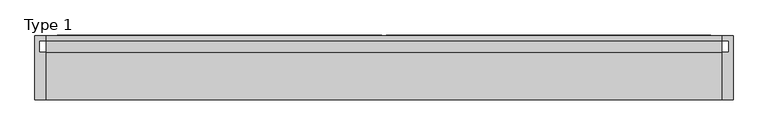
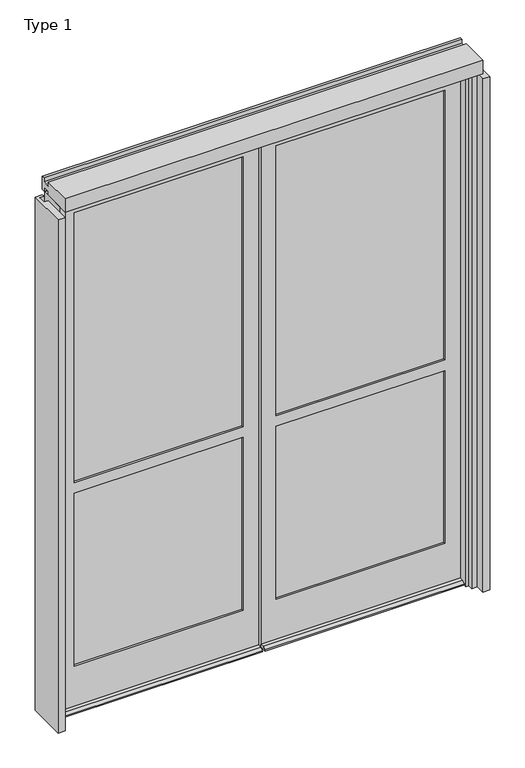
"""IFC4 building model written with IfcOpenShell, lengths in millimetres: plate geometry, Type 1."""

from ifc_helpers import new_model, si_unit, frame, origin, place, context, project, spatial, polyline, circle_curve, outline, extrude, faceted_brep, source, transform, mapped, element, save
from ifc_brep_helpers import plane_surface, cylinder_surface, advanced_brep


def type_1_135f9471(model_context):
    return source(origin(), model_context, "Body", "SolidModel", [
        extrude(outline(polyline([(-971.55, -130.5814), (-971.55, 47.2186), (-939.7989108, 47.2186), (-939.7989108, 34.036), (-958.85, 34.036), (-958.85, 2.286), (-939.8, 2.286), (-939.8, -130.5814), (-971.55, -130.5814)])), frame((0.0, 0.0, -57.15), z_axis=(0.0, 0.0, 1.0), x_axis=(1.0, 0.0, 0.0)), (0.0, 0.0, 1.0), 2438.4),
        extrude(outline(polyline([(971.55, -130.5814), (939.8, -130.5814), (939.8, 2.286), (958.85, 2.286), (958.85, 34.036), (939.7989108, 34.036), (939.7989108, 47.2186), (971.55, 47.2186), (971.55, -130.5814)])), frame((0.0, 0.0, -57.15), z_axis=(0.0, 0.0, 1.0), x_axis=(1.0, 0.0, 0.0)), (0.0, 0.0, 1.0), 2438.4),
        advanced_brep(
        [(-5.5889985, -18.3554688, 2377.28125), (-5.5889985, 26.0945312, 2377.28125), (-911.89707, 26.0945312, 2377.28125), (-909.4195008, -13.6829574, 2377.28125), (-909.4195008, -18.3554688, 2377.28125), (-5.5889985, 26.0945313, -57.15), (-5.5889985, -18.3554687, -57.15), (-5.5889985, -51.6930595, -57.15), (-909.4195008, -51.6930595, -57.15), (-909.4195008, -13.6829574, -57.15), (-911.89707, 26.0945313, -57.15), (-909.4195008, 26.0945313, -57.15), (-909.4195008, 49.9070312, -57.15), (-5.5889985, 49.9070312, -57.15), (-5.5889985, 26.0945313, -44.45), (-909.4195008, 26.0945313, -44.45), (-833.0882958, 26.0945312, 2297.90625), (-833.0882958, 26.0945313, 1016.0), (-74.6125, 26.0945313, 1016.0), (-74.6125, 26.0945312, 2297.90625), (-833.0882958, 26.0945313, 144.4625), (-74.6125, 26.0945313, 144.4625), (-74.6125, 26.0945313, 965.2), (-833.0882958, 26.0945313, 965.2), (-909.4195008, -18.3554687, 144.4625), (-909.4195008, -18.3554687, -44.45), (-5.5889985, -18.3554687, -44.45), (-909.4195008, -18.3554688, 2297.90625), (-909.12847, -18.3554688, 2297.90625), (-909.12847, -18.3554687, 144.4625), (-74.6125, -18.3554688, 2297.90625), (-74.6125, -18.3554687, 1016.0), (-833.0882958, -18.3554687, 1016.0), (-833.0882958, -18.3554688, 2297.90625), (-74.6125, -18.3554687, 144.4625), (-833.0882958, -18.3554687, 144.4625), (-833.0882958, -18.3554687, 965.2), (-74.6125, -18.3554687, 965.2), (-74.6125, -8.8304687, 144.4625), (-74.6125, -8.8304687, 965.2), (-74.6125, -8.8304688, 2297.90625), (-74.6125, -8.8304687, 1016.0), (-67.46875, -8.8304687, 137.31875), (-840.2320458, -8.8304687, 137.31875), (-840.2320458, -8.8304687, 972.34375), (-67.46875, -8.8304687, 972.34375), (-833.0882958, -8.8304687, 144.4625), (-833.0882958, -8.8304687, 965.2), (-840.2320458, -8.8304688, 2305.05), (-67.46875, -8.8304688, 2305.05), (-67.46875, -8.8304687, 1008.85625), (-840.2320458, -8.8304687, 1008.85625), (-833.0882958, -8.8304688, 2297.90625), (-833.0882958, -8.8304687, 1016.0), (-67.46875, 16.5695312, 2305.05), (-67.46875, 16.5695313, 1008.85625), (-67.46875, 16.5695313, 972.34375), (-67.46875, 16.5695313, 137.31875), (-840.2320458, 16.5695313, 137.31875), (-840.2320458, 16.5695313, 972.34375), (-74.6125, 16.5695313, 144.4625), (-833.0882958, 16.5695313, 144.4625), (-833.0882958, 16.5695313, 965.2), (-74.6125, 16.5695313, 965.2), (-840.2320458, 16.5695312, 2305.05), (-840.2320458, 16.5695313, 1008.85625), (-833.0882958, 16.5695312, 2297.90625), (-74.6125, 16.5695312, 2297.90625), (-74.6125, 16.5695313, 1016.0), (-833.0882958, 16.5695313, 1016.0), (-909.4195008, 33.2191859, -44.45), (-909.4195008, 49.9070312, -52.2316701), (-909.4195008, -51.6930595, -52.2316701), (-909.4195008, -35.0052141, -44.45), (-909.4195008, -13.6829574, 144.4625), (-5.5889985, -35.0052141, -44.45), (-5.5889985, -51.6930595, -52.2316701), (-5.5889985, 49.9070312, -52.2316701), (-5.5889985, 33.2191859, -44.45), (-909.4195008, -13.6829574, 2297.90625)],
        [
            (0, 1, circle_curve(frame((-65.3089556, 3.8695312, 2377.28125), z_axis=(0.0, 0.0, 1.0), x_axis=(0.0, -1.0, 0.0)), 63.7214556)),
            (1, 2),
            (2, 3),
            (3, 4),
            (4, 0),
            (5, 6, circle_curve(frame((-65.3089556, 3.8695313, -57.15), z_axis=(0.0, 0.0, -1.0), x_axis=(0.0, -1.0, 0.0)), 63.7214556)),
            (6, 7),
            (7, 8),
            (8, 9),
            (9, 10),
            (10, 11),
            (11, 12),
            (12, 13),
            (13, 5),
            (10, 2),
            (1, 14),
            (14, 15),
            (15, 11),
            (16, 17),
            (17, 18),
            (18, 19),
            (19, 16),
            (20, 21),
            (21, 22),
            (22, 23),
            (23, 20),
            (24, 25),
            (25, 26),
            (26, 0),
            (4, 27),
            (27, 28),
            (28, 29),
            (29, 24),
            (30, 31),
            (31, 32),
            (32, 33),
            (33, 30),
            (34, 35),
            (35, 36),
            (36, 37),
            (37, 34),
            (38, 34),
            (37, 39),
            (39, 38),
            (30, 40),
            (40, 41),
            (41, 31),
            (42, 43),
            (43, 44),
            (44, 45),
            (45, 42),
            (46, 38),
            (39, 47),
            (47, 46),
            (48, 49),
            (49, 50),
            (50, 51),
            (51, 48),
            (40, 52),
            (52, 53),
            (53, 41),
            (49, 54),
            (54, 55),
            (55, 50),
            (56, 57),
            (57, 42),
            (45, 56),
            (58, 57),
            (56, 59),
            (59, 58),
            (60, 61),
            (61, 62),
            (62, 63),
            (63, 60),
            (54, 64),
            (64, 65),
            (65, 55),
            (66, 67),
            (67, 68),
            (68, 69),
            (69, 66),
            (21, 60),
            (63, 22),
            (67, 19),
            (18, 68),
            (26, 6),
            (5, 14),
            (15, 70),
            (70, 71),
            (71, 12),
            (8, 72),
            (72, 73),
            (73, 25),
            (24, 74),
            (74, 9),
            (26, 75),
            (75, 76),
            (76, 7),
            (13, 77),
            (77, 78),
            (78, 14),
            (20, 61),
            (58, 43),
            (46, 35),
            (29, 74),
            (73, 75),
            (72, 76),
            (71, 77),
            (70, 78),
            (47, 36),
            (52, 33),
            (32, 53),
            (59, 44),
            (64, 48),
            (51, 65),
            (23, 62),
            (16, 66),
            (69, 17),
            (28, 79),
            (79, 3),
            (79, 27),
        ],
        [
            plane_surface(frame((0.0, 3.8695312, 2377.28125), z_axis=(0.0, 0.0, 1.0), x_axis=(0.0, -1.0, 0.0))),
            plane_surface(frame((0.0, 3.8695313, -57.15), z_axis=(0.0, 0.0, -1.0), x_axis=(0.0, -1.0, 0.0))),
            plane_surface(frame((-5.5889985, 26.0945312, 2377.28125), z_axis=(0.0, 1.0, 0.0), x_axis=(0.0, 0.0, -1.0))),
            plane_surface(frame((-74.6125, -18.3554688, 2377.28125), z_axis=(0.0, -1.0, 0.0), x_axis=(0.0, 0.0, -1.0))),
            plane_surface(frame((-74.6125, -8.8304688, 2377.28125), z_axis=(-1.0, 0.0, 0.0), x_axis=(0.0, 0.0, -1.0))),
            plane_surface(frame((-67.46875, -8.8304688, 2377.28125), z_axis=(0.0, 1.0, 0.0), x_axis=(0.0, 0.0, -1.0))),
            plane_surface(frame((-67.46875, 16.5695312, 2377.28125), z_axis=(-1.0, 0.0, 0.0), x_axis=(0.0, 0.0, -1.0))),
            plane_surface(frame((-74.6125, 16.5695312, 2377.28125), z_axis=(0.0, -1.0, 0.0), x_axis=(0.0, 0.0, -1.0))),
            plane_surface(frame((-74.6125, 26.0945312, 2377.28125), z_axis=(-1.0, 0.0, 0.0), x_axis=(0.0, 0.0, -1.0))),
            cylinder_surface(frame((-65.3089556, 3.8695312, 2377.28125), z_axis=(0.0, 0.0, 1.0), x_axis=(0.0, -1.0, 0.0)), 63.7214556),
            plane_surface(frame((-909.4195008, 3.8695313, -57.15), z_axis=(-1.0, 0.0, 0.0), x_axis=(0.0, -1.0, 0.0))),
            plane_surface(frame((-5.5889985, 3.8695313, -57.15), z_axis=(1.0, 0.0, 0.0), x_axis=(0.0, -1.0, 0.0))),
            plane_surface(frame((-909.4195008, 16.5695312, 144.4625), z_axis=(0.0, 0.0, 1.0), x_axis=(1.0, 0.0, 0.0))),
            plane_surface(frame((-909.4195008, -8.8304688, 137.31875), z_axis=(0.0, 0.0, 1.0), x_axis=(1.0, 0.0, 0.0))),
            plane_surface(frame((-909.4195008, -18.3554687, 144.4625), z_axis=(0.0, 0.0, 1.0), x_axis=(1.0, 0.0, 0.0))),
            plane_surface(frame((-909.4195008, -35.0052141, -44.45), z_axis=(0.0, 0.0, 1.0), x_axis=(1.0, 0.0, 0.0))),
            plane_surface(frame((-909.4195008, -51.6930595, -52.2316701), z_axis=(0.0, -0.42261826174137795, 0.9063077870363336), x_axis=(1.0, 0.0, 0.0))),
            plane_surface(frame((-909.4195008, -51.6930595, -57.15), z_axis=(0.0, -1.0, 0.0), x_axis=(1.0, 0.0, 0.0))),
            plane_surface(frame((-909.4195008, 49.9070312, -52.2316701), z_axis=(0.0, 1.0, 0.0), x_axis=(1.0, 0.0, 0.0))),
            plane_surface(frame((-909.4195008, 33.2191859, -44.45), z_axis=(0.0, 0.42261826174125344, 0.9063077870363916), x_axis=(1.0, 0.0, 0.0))),
            plane_surface(frame((-909.4195008, 26.0945312, -44.45), z_axis=(0.0, 0.0, 1.0), x_axis=(1.0, 0.0, 0.0))),
            plane_surface(frame((-833.0882958, -18.3554688, 2377.28125), z_axis=(1.0, 0.0, 0.0), x_axis=(0.0, 0.0, -1.0))),
            plane_surface(frame((-840.2320458, -8.8304688, 2377.28125), z_axis=(1.0, 0.0, 0.0), x_axis=(0.0, 0.0, -1.0))),
            plane_surface(frame((-833.0882958, 16.5695312, 2377.28125), z_axis=(1.0, 0.0, 0.0), x_axis=(0.0, 0.0, -1.0))),
            plane_surface(frame((-911.89707, 26.0945312, 2377.28125), z_axis=(-0.9980658706879181, -0.06216524566000013, 0.0), x_axis=(0.0, 0.0, -1.0))),
            plane_surface(frame((-909.4195008, 3.8695312, 2438.4), z_axis=(-1.0, 0.0, 0.0), x_axis=(0.0, -1.0, 0.0))),
            plane_surface(frame((-5.5889985, 16.5695312, 2297.90625), z_axis=(0.0, 0.0, -1.0), x_axis=(-1.0, 0.0, 0.0))),
            plane_surface(frame((-5.5889985, -8.8304688, 2305.05), z_axis=(0.0, 0.0, -1.0), x_axis=(-1.0, 0.0, 0.0))),
            plane_surface(frame((-5.5889985, -18.3554688, 2297.90625), z_axis=(0.0, 0.0, -1.0), x_axis=(-1.0, 0.0, 0.0))),
            plane_surface(frame((-909.12847, -18.3554688, 1016.0), z_axis=(0.0, 0.0, 1.0), x_axis=(1.0, 0.0, 0.0))),
            plane_surface(frame((-909.12847, -8.8304688, 1008.85625), z_axis=(0.0, 0.0, 1.0), x_axis=(1.0, 0.0, 0.0))),
            plane_surface(frame((-909.12847, 16.5695312, 1016.0), z_axis=(0.0, 0.0, 1.0), x_axis=(1.0, 0.0, 0.0))),
            plane_surface(frame((-909.12847, 26.0945312, 965.2), z_axis=(0.0, 0.0, -1.0), x_axis=(1.0, 0.0, 0.0))),
            plane_surface(frame((-909.12847, 16.5695312, 972.34375), z_axis=(0.0, 0.0, -1.0), x_axis=(1.0, 0.0, 0.0))),
            plane_surface(frame((-909.12847, -8.8304688, 965.2), z_axis=(0.0, 0.0, -1.0), x_axis=(1.0, 0.0, 0.0))),
        ],
        [
            (0, [[1, 2, 3, 4, 5]]),
            (1, [[6, 7, 8, 9, 10, 11, 12, 13, 14]]),
            (2, [[15, -2, 16, 17, 18, -11], [19, 20, 21, 22], [23, 24, 25, 26]]),
            (3, [[27, 28, 29, -5, 30, 31, 32, 33], [34, 35, 36, 37], [38, 39, 40, 41]]),
            (4, [[42, -41, 43, 44]]),
            (4, [[45, 46, 47, -34]]),
            (5, [[48, 49, 50, 51], [52, -44, 53, 54]]),
            (5, [[55, 56, 57, 58], [59, 60, 61, -46]]),
            (6, [[-56, 62, 63, 64]]),
            (6, [[65, 66, -51, 67]]),
            (7, [[68, -65, 69, 70], [71, 72, 73, 74]]),
            (7, [[75, 76, 77, -63], [78, 79, 80, 81]]),
            (8, [[82, -74, 83, -24]]),
            (8, [[84, -21, 85, -79]]),
            (9, [[-16, -1, -29, 86, -6, 87]]),
            (10, [[88, 89, 90, -12, -18]]),
            (10, [[91, 92, 93, -27, 94, 95, -9]]),
            (11, [[96, 97, 98, -7, -86]]),
            (11, [[99, 100, 101, -87, -14]]),
            (12, [[-82, -23, 102, -71]]),
            (13, [[-66, -68, 103, -48]]),
            (14, [[-42, -52, 104, -38]]),
            (14, [[-94, -33, 105]]),
            (15, [[-93, 106, -96, -28]]),
            (16, [[-92, 107, -97, -106]]),
            (17, [[-91, -8, -98, -107]]),
            (18, [[-90, 108, -99, -13]]),
            (19, [[-89, 109, -100, -108]]),
            (20, [[-88, -17, -101, -109]]),
            (21, [[-104, -54, 110, -39]]),
            (21, [[111, -36, 112, -60]]),
            (22, [[-49, -103, -70, 113]]),
            (22, [[-76, 114, -58, 115]]),
            (23, [[-102, -26, 116, -72]]),
            (23, [[117, -81, 118, -19]]),
            (24, [[-15, -10, -95, -105, -32, 119, 120, -3]]),
            (25, [[-30, -4, -120, 121]]),
            (26, [[-22, -84, -78, -117]]),
            (27, [[-62, -55, -114, -75]]),
            (28, [[-59, -45, -37, -111]]),
            (28, [[-31, -121, -119]]),
            (29, [[-61, -112, -35, -47]]),
            (30, [[-57, -64, -77, -115]]),
            (31, [[-20, -118, -80, -85]]),
            (32, [[-25, -83, -73, -116]]),
            (33, [[-50, -113, -69, -67]]),
            (34, [[-53, -43, -40, -110]]),
        ],
    ),
        advanced_brep(
        [(909.4195008, -18.3554688, 2377.28125), (912.1881008, 26.0945312, 2377.28125), (5.5889985, 26.0945312, 2377.28125), (5.5889985, -18.3554688, 2377.28125), (912.1881008, 26.0945313, -57.15), (909.4195008, 26.0945313, -57.15), (909.4195008, 26.0945313, -44.45), (5.5889985, 26.0945313, -44.45), (833.0882958, 26.0945313, 1016.0), (833.0882958, 26.0945312, 2297.90625), (74.6125, 26.0945312, 2297.90625), (74.6125, 26.0945313, 1016.0), (833.0882958, 26.0945313, 144.4625), (833.0882958, 26.0945313, 965.2), (74.6125, 26.0945313, 965.2), (74.6125, 26.0945313, 144.4625), (833.0882958, 16.5695312, 2297.90625), (74.6125, 16.5695312, 2297.90625), (840.2320458, 16.5695313, 1008.85625), (840.2320458, 16.5695312, 2305.05), (67.46875, 16.5695312, 2305.05), (67.46875, 16.5695313, 1008.85625), (833.0882958, 16.5695313, 1016.0), (74.6125, 16.5695313, 1016.0), (840.2320458, 16.5695313, 137.31875), (840.2320458, 16.5695313, 972.34375), (67.46875, 16.5695313, 972.34375), (67.46875, 16.5695313, 137.31875), (833.0882958, 16.5695313, 965.2), (833.0882958, 16.5695313, 144.4625), (74.6125, 16.5695313, 144.4625), (74.6125, 16.5695313, 965.2), (840.2320458, -8.8304688, 2305.05), (67.46875, -8.8304688, 2305.05), (840.2320458, -8.8304687, 1008.85625), (67.46875, -8.8304687, 1008.85625), (833.0882958, -8.8304687, 1016.0), (833.0882958, -8.8304688, 2297.90625), (74.6125, -8.8304688, 2297.90625), (74.6125, -8.8304687, 1016.0), (840.2320458, -8.8304687, 972.34375), (840.2320458, -8.8304687, 137.31875), (67.46875, -8.8304687, 137.31875), (67.46875, -8.8304687, 972.34375), (833.0882958, -8.8304687, 144.4625), (833.0882958, -8.8304687, 965.2), (74.6125, -8.8304687, 965.2), (74.6125, -8.8304687, 144.4625), (833.0882958, -18.3554688, 2297.90625), (74.6125, -18.3554688, 2297.90625), (909.4195008, -18.3554687, -44.45), (5.5889985, -18.3554687, -44.45), (833.0882958, -18.3554687, 1016.0), (74.6125, -18.3554687, 1016.0), (833.0882958, -18.3554687, 965.2), (833.0882958, -18.3554687, 144.4625), (74.6125, -18.3554687, 144.4625), (74.6125, -18.3554687, 965.2), (909.4195008, -35.0052141, -44.45), (909.4195008, -51.6930595, -52.2316701), (909.4195008, -51.6930595, -57.15), (909.4195008, -18.3554687, -57.15), (909.4195008, 49.9070313, -57.15), (909.4195008, 49.9070313, -52.2316701), (909.4195008, 33.2191859, -44.45), (5.5889985, 33.2191859, -44.45), (5.5889985, 49.9070313, -52.2316701), (5.5889985, 49.9070313, -57.15), (5.5889985, 26.0945313, -57.15), (5.5889985, -51.6930595, -57.15), (5.5889985, -51.6930595, -52.2316701), (5.5889985, -35.0052141, -44.45), (5.5889985, -18.3554687, -57.15)],
        [
            (0, 1),
            (1, 2),
            (2, 3, circle_curve(frame((65.3089556, 3.8695312, 2377.28125), z_axis=(0.0, 0.0, 1.0), x_axis=(0.0, -1.0, 0.0)), 63.7214556)),
            (3, 0),
            (1, 4),
            (4, 5),
            (5, 6),
            (6, 7),
            (7, 2),
            (8, 9),
            (9, 10),
            (10, 11),
            (11, 8),
            (12, 13),
            (13, 14),
            (14, 15),
            (15, 12),
            (9, 16),
            (16, 17),
            (17, 10),
            (18, 19),
            (19, 20),
            (20, 21),
            (21, 18),
            (16, 22),
            (22, 23),
            (23, 17),
            (24, 25),
            (25, 26),
            (26, 27),
            (27, 24),
            (28, 29),
            (29, 30),
            (30, 31),
            (31, 28),
            (19, 32),
            (32, 33),
            (33, 20),
            (32, 34),
            (34, 35),
            (35, 33),
            (36, 37),
            (37, 38),
            (38, 39),
            (39, 36),
            (40, 41),
            (41, 42),
            (42, 43),
            (43, 40),
            (44, 45),
            (45, 46),
            (46, 47),
            (47, 44),
            (37, 48),
            (48, 49),
            (49, 38),
            (50, 0),
            (3, 51),
            (51, 50),
            (48, 52),
            (52, 53),
            (53, 49),
            (54, 55),
            (55, 56),
            (56, 57),
            (57, 54),
            (50, 58),
            (58, 59),
            (59, 60),
            (60, 61),
            (61, 50),
            (62, 63),
            (63, 64),
            (64, 6),
            (5, 62),
            (7, 65),
            (65, 66),
            (66, 67),
            (67, 68),
            (68, 7),
            (69, 70),
            (70, 71),
            (71, 51),
            (51, 72),
            (72, 69),
            (29, 12),
            (15, 30),
            (41, 24),
            (27, 42),
            (55, 44),
            (47, 56),
            (71, 58),
            (70, 59),
            (69, 60),
            (72, 68, circle_curve(frame((65.3089556, 3.8695313, -57.15), z_axis=(0.0, 0.0, -1.0), x_axis=(0.0, -1.0, 0.0)), 63.7214556)),
            (67, 62),
            (4, 61),
            (66, 63),
            (65, 64),
            (8, 22),
            (28, 13),
            (18, 34),
            (40, 25),
            (36, 52),
            (54, 45),
            (39, 53),
            (57, 46),
            (43, 26),
            (31, 14),
            (11, 23),
            (21, 35),
        ],
        [
            plane_surface(frame((5.5889985, -18.3554688, 2377.28125), z_axis=(0.0, 0.0, 1.0), x_axis=(1.0, 0.0, 0.0))),
            plane_surface(frame((5.5889985, 26.0945312, 2377.28125), z_axis=(0.0, 1.0, 0.0), x_axis=(1.0, 0.0, 0.0))),
            plane_surface(frame((5.5889985, 26.0945312, 2297.90625), z_axis=(0.0, 0.0, -1.0), x_axis=(1.0, 0.0, 0.0))),
            plane_surface(frame((5.5889985, 16.5695312, 2297.90625), z_axis=(0.0, -1.0, 0.0), x_axis=(1.0, 0.0, 0.0))),
            plane_surface(frame((5.5889985, 16.5695312, 2305.05), z_axis=(0.0, 0.0, -1.0), x_axis=(1.0, 0.0, 0.0))),
            plane_surface(frame((5.5889985, -8.8304688, 2305.05), z_axis=(0.0, 1.0, 0.0), x_axis=(1.0, 0.0, 0.0))),
            plane_surface(frame((5.5889985, -8.8304688, 2297.90625), z_axis=(0.0, 0.0, -1.0), x_axis=(1.0, 0.0, 0.0))),
            plane_surface(frame((5.5889985, -18.3554688, 2297.90625), z_axis=(0.0, -1.0, 0.0), x_axis=(1.0, 0.0, 0.0))),
            plane_surface(frame((909.4195008, 3.8695313, -57.15), z_axis=(1.0, 0.0, 0.0), x_axis=(0.0, -1.0, 0.0))),
            plane_surface(frame((5.5889985, 3.8695313, -57.15), z_axis=(-1.0, 0.0, 0.0), x_axis=(0.0, -1.0, 0.0))),
            plane_surface(frame((909.4195008, 26.0945313, 144.4625), z_axis=(0.0, 0.0, 1.0), x_axis=(-1.0, 0.0, 0.0))),
            plane_surface(frame((909.4195008, 16.5695313, 137.31875), z_axis=(0.0, 0.0, 1.0), x_axis=(-1.0, 0.0, 0.0))),
            plane_surface(frame((909.4195008, -8.8304687, 144.4625), z_axis=(0.0, 0.0, 1.0), x_axis=(-1.0, 0.0, 0.0))),
            plane_surface(frame((909.4195008, -18.3554687, -44.45), z_axis=(0.0, 0.0, 1.0), x_axis=(-1.0, 0.0, 0.0))),
            plane_surface(frame((909.4195008, -35.0052141, -44.45), z_axis=(0.0, -0.42261826174092587, 0.9063077870365445), x_axis=(-1.0, 0.0, 0.0))),
            plane_surface(frame((909.4195008, -51.6930595, -52.2316701), z_axis=(0.0, -1.0, 0.0), x_axis=(-1.0, 0.0, 0.0))),
            plane_surface(frame((909.4195008, -51.6930595, -57.15), z_axis=(0.0, 0.0, -1.0), x_axis=(-1.0, 0.0, 0.0))),
            plane_surface(frame((909.4195008, 49.9070313, -57.15), z_axis=(0.0, 1.0, 0.0), x_axis=(-1.0, 0.0, 0.0))),
            plane_surface(frame((909.4195008, 49.9070313, -52.2316701), z_axis=(0.0, 0.42261826174075007, 0.9063077870366264), x_axis=(-1.0, 0.0, 0.0))),
            plane_surface(frame((909.4195008, 33.2191859, -44.45), z_axis=(0.0, 0.0, 1.0), x_axis=(-1.0, 0.0, 0.0))),
            plane_surface(frame((833.0882958, 26.0945312, 2377.28125), z_axis=(-1.0, 0.0, 0.0), x_axis=(0.0, 0.0, -1.0))),
            plane_surface(frame((840.2320458, 16.5695312, 2377.28125), z_axis=(-1.0, 0.0, 0.0), x_axis=(0.0, 0.0, -1.0))),
            plane_surface(frame((833.0882958, -8.8304688, 2377.28125), z_axis=(-1.0, 0.0, 0.0), x_axis=(0.0, 0.0, -1.0))),
            plane_surface(frame((909.4195008, -18.3554688, 2377.28125), z_axis=(0.9980658706879179, -0.06216524566000297, 0.0), x_axis=(0.0, 0.0, -1.0))),
            plane_surface(frame((909.4195008, -8.8304687, 1016.0), z_axis=(0.0, 0.0, 1.0), x_axis=(-1.0, 0.0, 0.0))),
            plane_surface(frame((909.4195008, -18.3554687, 965.2), z_axis=(0.0, 0.0, -1.0), x_axis=(-1.0, 0.0, 0.0))),
            plane_surface(frame((909.4195008, -8.8304688, 972.34375), z_axis=(0.0, 0.0, -1.0), x_axis=(-1.0, 0.0, 0.0))),
            plane_surface(frame((909.4195008, 16.5695312, 965.2), z_axis=(0.0, 0.0, -1.0), x_axis=(-1.0, 0.0, 0.0))),
            plane_surface(frame((909.4195008, 26.0945313, 1016.0), z_axis=(0.0, 0.0, 1.0), x_axis=(-1.0, 0.0, 0.0))),
            plane_surface(frame((909.4195008, 16.5695312, 1008.85625), z_axis=(0.0, 0.0, 1.0), x_axis=(-1.0, 0.0, 0.0))),
            plane_surface(frame((74.6125, -18.3554688, 2377.28125), z_axis=(1.0, 0.0, 0.0), x_axis=(0.0, 0.0, -1.0))),
            plane_surface(frame((67.46875, -8.8304688, 2377.28125), z_axis=(1.0, 0.0, 0.0), x_axis=(0.0, 0.0, -1.0))),
            plane_surface(frame((74.6125, 16.5695312, 2377.28125), z_axis=(1.0, 0.0, 0.0), x_axis=(0.0, 0.0, -1.0))),
            cylinder_surface(frame((65.3089556, 3.8695312, 2377.28125), z_axis=(0.0, 0.0, 1.0), x_axis=(0.0, -1.0, 0.0)), 63.7214556),
        ],
        [
            (0, [[1, 2, 3, 4]]),
            (1, [[5, 6, 7, 8, 9, -2], [10, 11, 12, 13], [14, 15, 16, 17]]),
            (2, [[18, 19, 20, -11]]),
            (3, [[21, 22, 23, 24], [25, 26, 27, -19]]),
            (3, [[28, 29, 30, 31], [32, 33, 34, 35]]),
            (4, [[36, 37, 38, -22]]),
            (5, [[39, 40, 41, -37], [42, 43, 44, 45]]),
            (5, [[46, 47, 48, 49], [50, 51, 52, 53]]),
            (6, [[54, 55, 56, -43]]),
            (7, [[57, -4, 58, 59], [60, 61, 62, -55], [63, 64, 65, 66]]),
            (8, [[67, 68, 69, 70, 71]]),
            (8, [[72, 73, 74, -7, 75]]),
            (9, [[76, 77, 78, 79, 80]]),
            (9, [[81, 82, 83, 84, 85]]),
            (10, [[86, -17, 87, -33]]),
            (11, [[88, -31, 89, -47]]),
            (12, [[90, -53, 91, -64]]),
            (13, [[-67, -59, -83, 92]]),
            (14, [[-68, -92, -82, 93]]),
            (15, [[-69, -93, -81, 94]]),
            (16, [[-94, -85, 95, -79, 96, -75, -6, 97, -70]]),
            (17, [[-72, -96, -78, 98]]),
            (18, [[-73, -98, -77, 99]]),
            (19, [[-74, -99, -76, -8]]),
            (20, [[-18, -10, 100, -25]]),
            (20, [[-86, -32, 101, -14]]),
            (21, [[-36, -21, 102, -39]]),
            (21, [[-88, -46, 103, -28]]),
            (22, [[-54, -42, 104, -60]]),
            (22, [[-90, -63, 105, -50]]),
            (23, [[-1, -57, -71, -97, -5]]),
            (24, [[-104, -45, 106, -61]]),
            (25, [[-105, -66, 107, -51]]),
            (26, [[-103, -49, 108, -29]]),
            (27, [[-101, -35, 109, -15]]),
            (28, [[-100, -13, 110, -26]]),
            (29, [[-102, -24, 111, -40]]),
            (30, [[-52, -107, -65, -91]]),
            (30, [[-62, -106, -44, -56]]),
            (31, [[-38, -41, -111, -23]]),
            (31, [[-89, -30, -108, -48]]),
            (32, [[-16, -109, -34, -87]]),
            (32, [[-27, -110, -12, -20]]),
            (33, [[-3, -9, -80, -95, -84, -58]]),
        ],
    ),
        faceted_brep([(914.4, 27.6820313, -57.15), (939.8, 27.6820313, -57.15), (939.8, -86.6179687, -57.15), (914.4, -86.6179687, -57.15), (914.4, -63.6309687, -57.15), (901.7, -63.6309687, -57.15), (901.7, -22.3559687, -57.15), (914.4, -22.3559687, -57.15), (914.4, 27.6820312, 2381.25), (-914.4, 27.6820312, 2381.25), (-914.4, 27.6820313, -57.15), (-939.8, 27.6820313, -57.15), (-939.8, 27.6820312, 2406.65), (939.8, 27.6820312, 2406.65), (939.8, -86.6179688, 2406.65), (-939.8, -86.6179688, 2406.65), (-939.8, -86.6179687, -57.15), (-914.4, -86.6179687, -57.15), (-914.4, -86.6179688, 2381.25), (914.4, -86.6179688, 2381.25), (914.4, -63.6309688, 2381.25), (-914.4, -63.6309688, 2381.25), (-914.4, -63.6309687, -57.15), (-901.7, -63.6309687, -57.15), (-901.7, -63.6309688, 2368.55), (901.7, -63.6309688, 2368.55), (901.7, -22.3559688, 2368.55), (-901.7, -22.3559688, 2368.55), (-901.7, -22.3559687, -57.15), (-914.4, -22.3559687, -57.15), (-914.4, -22.3559688, 2381.25), (914.4, -22.3559688, 2381.25)], [[[0, 1, 2, 3, 4, 5, 6, 7]], [[1, 0, 8, 9, 10, 11, 12, 13]], [[2, 1, 13, 14]], [[3, 2, 14, 15, 16, 17, 18, 19]], [[4, 3, 19, 20]], [[5, 4, 20, 21, 22, 23, 24, 25]], [[6, 5, 25, 26]], [[7, 6, 26, 27, 28, 29, 30, 31]], [[0, 7, 31, 8]], [[14, 13, 12, 15]], [[20, 19, 18, 21]], [[26, 25, 24, 27]], [[8, 31, 30, 9]], [[10, 29, 28, 23, 22, 17, 16, 11]], [[15, 12, 11, 16]], [[21, 18, 17, 22]], [[27, 24, 23, 28]], [[9, 30, 29, 10]]]),
        extrude(outline(polyline([(840.2320458, 16.5695312), (840.2320458, 10.2703312), (67.46875, 10.2703312), (67.46875, 16.5695312), (840.2320458, 16.5695312)])), frame((0.0, 0.0, 137.31875), z_axis=(0.0, 0.0, 1.0), x_axis=(1.0, 0.0, 0.0)), (0.0, 0.0, 1.0), 835.025),
        extrude(outline(polyline([(840.2320458, -2.5312688), (840.2320458, -8.8304688), (67.46875, -8.8304688), (67.46875, -2.5312688), (840.2320458, -2.5312688)])), frame((0.0, 0.0, 137.31875), z_axis=(0.0, 0.0, 1.0), x_axis=(1.0, 0.0, 0.0)), (0.0, 0.0, 1.0), 835.025),
        extrude(outline(polyline([(-840.2320458, -8.8304688), (-840.2320458, -2.5312688), (-67.46875, -2.5312688), (-67.46875, -8.8304688), (-840.2320458, -8.8304688)])), frame((0.0, 0.0, 137.31875), z_axis=(0.0, 0.0, 1.0), x_axis=(1.0, 0.0, 0.0)), (0.0, 0.0, 1.0), 835.025),
        extrude(outline(polyline([(-840.2320458, 10.2703312), (-840.2320458, 16.5695313), (-67.46875, 16.5695313), (-67.46875, 10.2703312), (-840.2320458, 10.2703312)])), frame((0.0, 0.0, 137.31875), z_axis=(0.0, 0.0, 1.0), x_axis=(1.0, 0.0, 0.0)), (0.0, 0.0, 1.0), 835.025),
        extrude(outline(polyline([(840.2320458, -2.5312687), (840.2320458, -8.8304687), (67.46875, -8.8304687), (67.46875, -2.5312687), (840.2320458, -2.5312687)])), frame((0.0, 0.0, 1008.85625), z_axis=(0.0, 0.0, 1.0), x_axis=(1.0, 0.0, 0.0)), (0.0, 0.0, 1.0), 1296.19375),
        extrude(outline(polyline([(840.2320458, 16.5695313), (840.2320458, 10.2703313), (67.46875, 10.2703313), (67.46875, 16.5695313), (840.2320458, 16.5695313)])), frame((0.0, 0.0, 1008.85625), z_axis=(0.0, 0.0, 1.0), x_axis=(1.0, 0.0, 0.0)), (0.0, 0.0, 1.0), 1296.19375),
        extrude(outline(polyline([(-840.2320458, 10.2703313), (-840.2320458, 16.5695313), (-67.46875, 16.5695313), (-67.46875, 10.2703313), (-840.2320458, 10.2703313)])), frame((0.0, 0.0, 1008.85625), z_axis=(0.0, 0.0, 1.0), x_axis=(1.0, 0.0, 0.0)), (0.0, 0.0, 1.0), 1296.19375),
        extrude(outline(polyline([(-840.2320458, -8.8304687), (-840.2320458, -2.5312687), (-67.46875, -2.5312687), (-67.46875, -8.8304687), (-840.2320458, -8.8304687)])), frame((0.0, 0.0, 1008.85625), z_axis=(0.0, 0.0, 1.0), x_axis=(1.0, 0.0, 0.0)), (0.0, 0.0, 1.0), 1296.19375),
        extrude(outline(polyline([(0.0, 2470.15), (0.0, 2451.1), (34.13125, 2451.1), (34.13125, 2470.1462001), (47.2186445, 2470.1462001), (47.2186445, 2406.6462001), (34.13125, 2406.6462001), (34.13125, 2425.7), (0.0, 2425.7), (0.0, 2406.65), (-130.175, 2406.65), (-130.175, 2470.15), (0.0, 2470.15)])), frame((-939.8, 0.0, 0.0), z_axis=(1.0, 0.0, 0.0), x_axis=(0.0, 1.0, 0.0)), (0.0, 0.0, 1.0), 1879.6),
    ])


if __name__ == "__main__":
    model = new_model("IFC4")
    model_context = context("Model", 3, world=origin())
    ifc_project = project(units=[si_unit("LENGTHUNIT", "METRE", prefix="MILLI")], contexts=[model_context])
    site = spatial("IfcSite", under=ifc_project)
    building = spatial("IfcBuilding", under=site)
    placement = place(None, origin())
    type_1_shape = type_1_135f9471(model_context)
    element("IfcPlate", 1, ObjectType="Type 1", at=placement, inside=building, context=model_context, shape_type="MappedRepresentation", body=[
        mapped(type_1_shape, transform((0.0, 0.0, 0.0), x_axis=(1.0, 0.0, 0.0), y_axis=(0.0, 1.0, 0.0), z_axis=(0.0, 0.0, 1.0))),
    ])
    save(model, "model.ifc")
